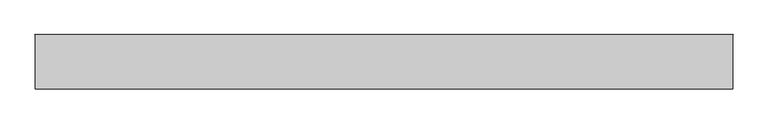
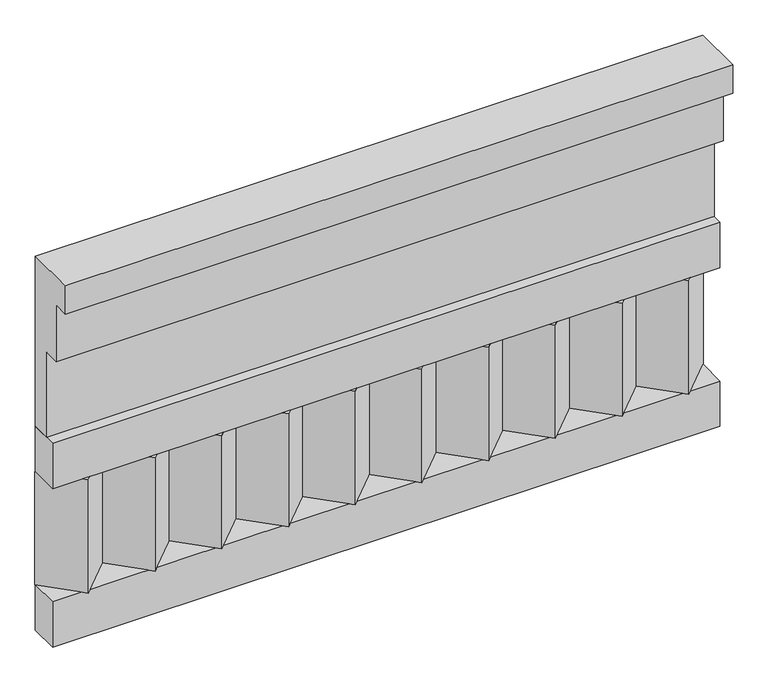
"""IFC4 building model written with IfcOpenShell, lengths in millimetres: railing geometry."""

from ifc_helpers import new_model, si_unit, frame, origin, place, context, project, spatial, polyline, outline, extrude, source, transform, mapped, element, save


def railing_b33a8e49(model_context):
    return source(origin(), model_context, "Body", "SweptSolid", [
        extrude(outline(polyline([(-16816.8920513, 21800.0), (-16816.8920513, 21350.0), (-16866.8920513, 21350.0), (-16866.8920513, 21575.0), (-16906.8920513, 21575.0), (-16906.8920513, 21725.0), (-16946.8920513, 21725.0), (-16946.8920513, 21800.0), (-16816.8920513, 21800.0)])), frame((39990.0112841, 0.0, 0.0), z_axis=(1.0, 0.0, 0.0), x_axis=(0.0, 1.0, 0.0)), (0.0, 0.0, 1.0), 1670.0),
        extrude(outline(polyline([(39990.0112841, -16891.8920513), (39990.0112841, -16816.8920513), (41660.0112841, -16816.8920513), (41660.0112841, -16891.8920513), (39990.0112841, -16891.8920513)])), frame((0.0, 0.0, 21230.0), z_axis=(0.0, 0.0, 1.0), x_axis=(1.0, 0.0, 0.0)), (0.0, 0.0, 1.0), 120.0),
        extrude(outline(polyline([(39990.0112841, -16891.8920513), (39990.0112841, -16816.8920513), (41660.0112841, -16816.8920513), (41660.0112841, -16891.8920513), (39990.0112841, -16891.8920513)])), frame((0.0, 0.0, 20810.0), z_axis=(0.0, 0.0, 1.0), x_axis=(1.0, 0.0, 0.0)), (0.0, 0.0, 1.0), 120.0),
        extrude(outline(polyline([(41576.5112841, -16901.7448651), (41491.6584704, -16816.8920513), (41661.3640978, -16816.8920513), (41576.5112841, -16901.7448651)])), frame((0.0, 0.0, 20930.0), z_axis=(0.0, 0.0, 1.0), x_axis=(1.0, 0.0, 0.0)), (0.0, 0.0, 1.0), 300.0),
        extrude(outline(polyline([(41409.5112841, -16901.7448651), (41324.6584704, -16816.8920513), (41494.3640978, -16816.8920513), (41409.5112841, -16901.7448651)])), frame((0.0, 0.0, 20930.0), z_axis=(0.0, 0.0, 1.0), x_axis=(1.0, 0.0, 0.0)), (0.0, 0.0, 1.0), 300.0),
        extrude(outline(polyline([(41242.5112841, -16901.7448651), (41157.6584704, -16816.8920513), (41327.3640978, -16816.8920513), (41242.5112841, -16901.7448651)])), frame((0.0, 0.0, 20930.0), z_axis=(0.0, 0.0, 1.0), x_axis=(1.0, 0.0, 0.0)), (0.0, 0.0, 1.0), 300.0),
        extrude(outline(polyline([(41075.5112841, -16901.7448651), (40990.6584704, -16816.8920513), (41160.3640978, -16816.8920513), (41075.5112841, -16901.7448651)])), frame((0.0, 0.0, 20930.0), z_axis=(0.0, 0.0, 1.0), x_axis=(1.0, 0.0, 0.0)), (0.0, 0.0, 1.0), 300.0),
        extrude(outline(polyline([(40908.5112841, -16901.7448651), (40823.6584704, -16816.8920513), (40993.3640978, -16816.8920513), (40908.5112841, -16901.7448651)])), frame((0.0, 0.0, 20930.0), z_axis=(0.0, 0.0, 1.0), x_axis=(1.0, 0.0, 0.0)), (0.0, 0.0, 1.0), 300.0),
        extrude(outline(polyline([(40741.5112841, -16901.7448651), (40656.6584704, -16816.8920513), (40826.3640978, -16816.8920513), (40741.5112841, -16901.7448651)])), frame((0.0, 0.0, 20930.0), z_axis=(0.0, 0.0, 1.0), x_axis=(1.0, 0.0, 0.0)), (0.0, 0.0, 1.0), 300.0),
        extrude(outline(polyline([(40574.5112841, -16901.7448651), (40489.6584704, -16816.8920513), (40659.3640978, -16816.8920513), (40574.5112841, -16901.7448651)])), frame((0.0, 0.0, 20930.0), z_axis=(0.0, 0.0, 1.0), x_axis=(1.0, 0.0, 0.0)), (0.0, 0.0, 1.0), 300.0),
        extrude(outline(polyline([(40407.5112841, -16901.7448651), (40322.6584704, -16816.8920513), (40492.3640978, -16816.8920513), (40407.5112841, -16901.7448651)])), frame((0.0, 0.0, 20930.0), z_axis=(0.0, 0.0, 1.0), x_axis=(1.0, 0.0, 0.0)), (0.0, 0.0, 1.0), 300.0),
        extrude(outline(polyline([(40240.5112841, -16901.7448651), (40155.6584704, -16816.8920513), (40325.3640978, -16816.8920513), (40240.5112841, -16901.7448651)])), frame((0.0, 0.0, 20930.0), z_axis=(0.0, 0.0, 1.0), x_axis=(1.0, 0.0, 0.0)), (0.0, 0.0, 1.0), 300.0),
        extrude(outline(polyline([(40073.5112841, -16901.7448651), (39988.6584704, -16816.8920513), (40158.3640978, -16816.8920513), (40073.5112841, -16901.7448651)])), frame((0.0, 0.0, 20930.0), z_axis=(0.0, 0.0, 1.0), x_axis=(1.0, 0.0, 0.0)), (0.0, 0.0, 1.0), 300.0),
    ])


if __name__ == "__main__":
    model = new_model("IFC4")
    model_context = context("Model", 3, world=origin())
    ifc_project = project(units=[si_unit("LENGTHUNIT", "METRE", prefix="MILLI")], contexts=[model_context])
    site = spatial("IfcSite", under=ifc_project)
    building = spatial("IfcBuilding", under=site)
    placement = place(None, origin())
    railing_shape = railing_b33a8e49(model_context)
    element("IfcRailing", 1, at=placement, inside=building, context=model_context, shape_type="MappedRepresentation", body=[
        mapped(railing_shape, transform((0.0, 0.0, 0.0), x_axis=(1.0, 0.0, 0.0), y_axis=(0.0, 1.0, 0.0), z_axis=(0.0, 0.0, 1.0))),
    ])
    save(model, "model.ifc")
